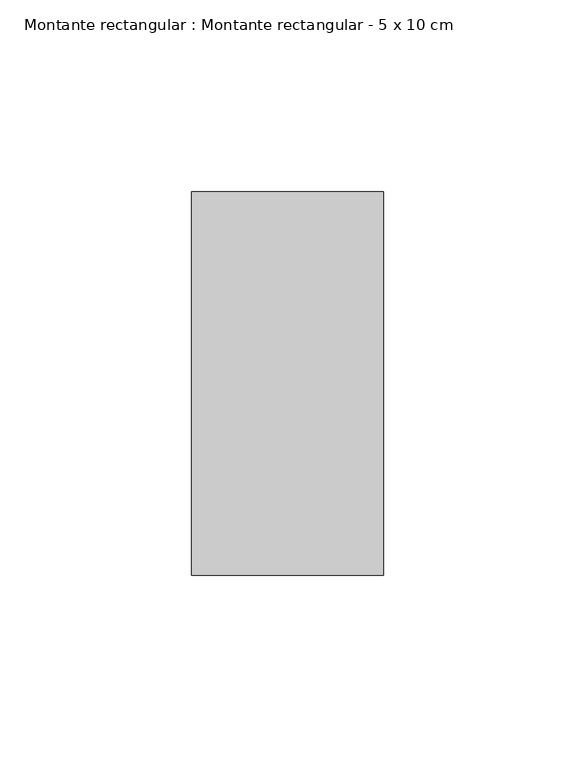
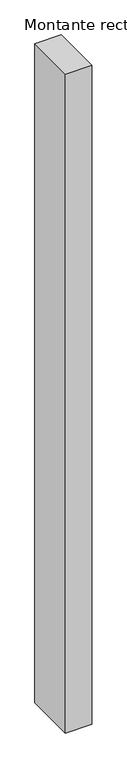
"""IFC4 building model written with IfcOpenShell, lengths in millimetres: member geometry, Montante rectangular : Montante rectangular - 5 x 10 cm."""

from ifc_helpers import new_model, si_unit, frame, origin, place, context, project, spatial, polyline, outline, extrude, source, transform, mapped, element, save


def montante_rectangular_montante_rectangular_5_x_10_cm_1ec30786(model_context):
    return source(origin(), model_context, "Body", "SweptSolid", [
        extrude(outline(polyline([(25.0, 50.0), (25.0, -50.0), (-25.0, -50.0), (-25.0, 50.0), (25.0, 50.0)])), frame((0.0, 0.0, -1316.7009613), z_axis=(0.0, 0.0, 1.0), x_axis=(1.0, 0.0, 0.0)), (0.0, 0.0, 1.0), 1316.7009613),
    ])


if __name__ == "__main__":
    model = new_model("IFC4")
    model_context = context("Model", 3, world=origin())
    ifc_project = project(units=[si_unit("LENGTHUNIT", "METRE", prefix="MILLI")], contexts=[model_context])
    site = spatial("IfcSite", under=ifc_project)
    building = spatial("IfcBuilding", under=site)
    placement = place(None, origin())
    montante_rectangular_montante_rectangular_5_x_10_cm_shape = montante_rectangular_montante_rectangular_5_x_10_cm_1ec30786(model_context)
    element("IfcMember", 1, ObjectType="Montante rectangular : Montante rectangular - 5 x 10 cm", at=placement, inside=building, context=model_context, shape_type="MappedRepresentation", body=[
        mapped(montante_rectangular_montante_rectangular_5_x_10_cm_shape, transform((0.0, 0.0, 0.0), x_axis=(1.0, 0.0, 0.0), y_axis=(0.0, 1.0, 0.0), z_axis=(0.0, 0.0, 1.0))),
    ])
    save(model, "model.ifc")
